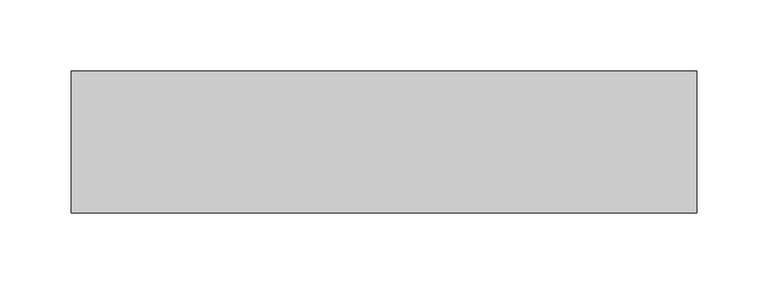
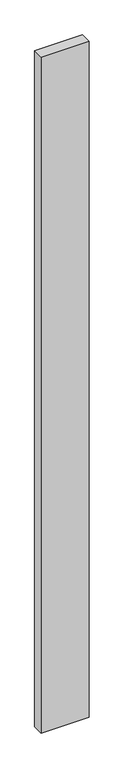
"""IFC4 building model written with IfcOpenShell, lengths in millimetres: proxy geometry."""

from ifc_helpers import new_model, si_unit, frame, origin, place, context, project, spatial, polyline, outline, extrude, source, transform, mapped, element, save


def generic_models_148f1b80(model_context):
    return source(origin(), model_context, "Body", "SweptSolid", [
        extrude(outline(polyline([(440.0, 100.0), (440.0, 0.0), (0.0, 0.0), (0.0, 100.0), (440.0, 100.0)])), frame((0.0, 0.0, -6550.0), z_axis=(0.0, 0.0, 1.0), x_axis=(1.0, 0.0, 0.0)), (0.0, 0.0, 1.0), 6550.0),
    ])


if __name__ == "__main__":
    model = new_model("IFC4")
    model_context = context("Model", 3, world=origin())
    ifc_project = project(units=[si_unit("LENGTHUNIT", "METRE", prefix="MILLI")], contexts=[model_context])
    site = spatial("IfcSite", under=ifc_project)
    building = spatial("IfcBuilding", under=site)
    placement = place(None, origin())
    generic_models_shape = generic_models_148f1b80(model_context)
    element("IfcBuildingElementProxy", 1, Name="Generic Models", at=placement, inside=building, context=model_context, shape_type="MappedRepresentation", body=[
        mapped(generic_models_shape, transform((0.0, 0.0, 0.0), x_axis=(1.0, 0.0, 0.0), y_axis=(0.0, 1.0, 0.0), z_axis=(0.0, 0.0, 1.0))),
    ])
    save(model, "model.ifc")
